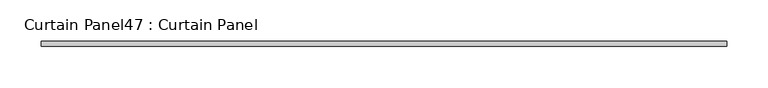
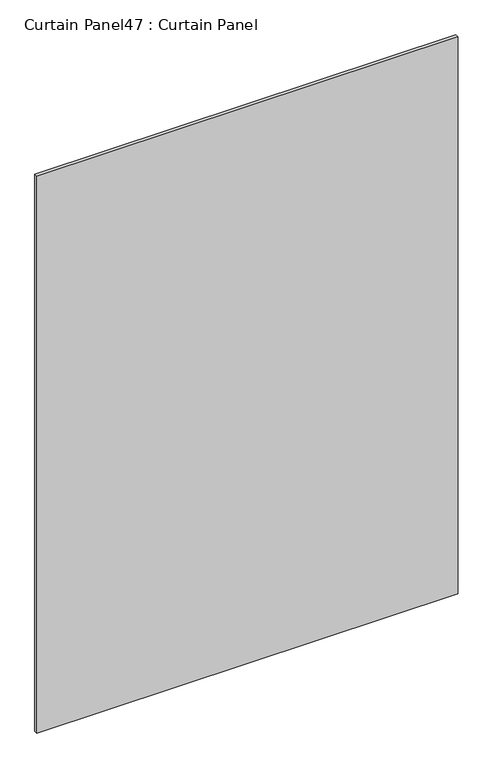
"""IFC4 building model written with IfcOpenShell, lengths in millimetres: plate geometry, Curtain Panel47 : Curtain Panel."""

from ifc_helpers import new_model, si_unit, frame, origin, place, context, project, spatial, polyline, outline, extrude, source, transform, mapped, element, save


def curtain_panel47_curtain_panel_aa675546(model_context):
    return source(origin(), model_context, "Body", "SweptSolid", [
        extrude(outline(polyline([(-39240.7393203, 3064.6151643), (-40072.5893286, 3064.6151643), (-40072.5893286, 3070.9651643), (-39240.7393203, 3070.9651643), (-39240.7393203, 3064.6151643)])), frame((0.0, 0.0, 2454.273685), z_axis=(0.0, 0.0, 1.0), x_axis=(1.0, 0.0, 0.0)), (0.0, 0.0, 1.0), 1162.051315),
    ])


if __name__ == "__main__":
    model = new_model("IFC4")
    model_context = context("Model", 3, world=origin())
    ifc_project = project(units=[si_unit("LENGTHUNIT", "METRE", prefix="MILLI")], contexts=[model_context])
    site = spatial("IfcSite", under=ifc_project)
    building = spatial("IfcBuilding", under=site)
    placement = place(None, origin())
    curtain_panel47_curtain_panel_shape = curtain_panel47_curtain_panel_aa675546(model_context)
    element("IfcPlate", 1, ObjectType="Curtain Panel47 : Curtain Panel", at=placement, inside=building, context=model_context, shape_type="MappedRepresentation", body=[
        mapped(curtain_panel47_curtain_panel_shape, transform((0.0, 0.0, 0.0), x_axis=(1.0, 0.0, 0.0), y_axis=(0.0, 1.0, 0.0), z_axis=(0.0, 0.0, 1.0))),
    ])
    save(model, "model.ifc")
